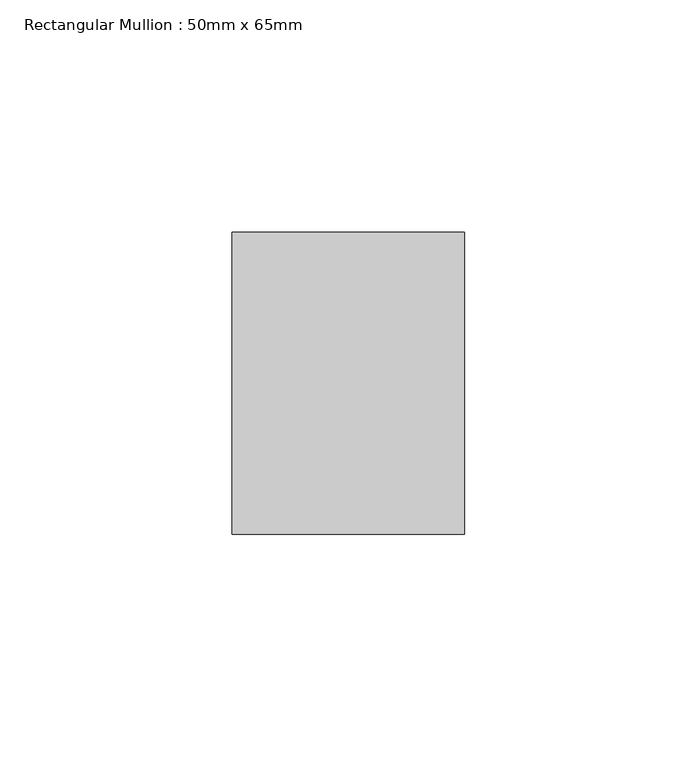
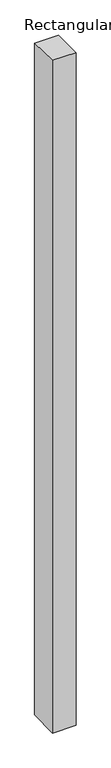
"""IFC4 building model written with IfcOpenShell, lengths in millimetres: member geometry, Rectangular Mullion : 50mm x 65mm."""

from ifc_helpers import new_model, si_unit, origin, place, context, project, spatial, faceted_brep, source, transform, mapped, element, save


def rectangular_mullion_50mm_x_65mm_2b296896(model_context):
    return source(origin(), model_context, "Body", "Brep", [
        faceted_brep([(-25.0, 32.5, -0.5683213), (25.0, 32.5, -0.568319), (25.0, 32.5, -1499.2869476), (-25.0, 32.5, -1499.2869449), (-25.0, -32.5, 0.568319), (-25.0, -32.5, -1500.7123616), (25.0, -32.5, 0.5683213), (25.0, -32.5, -1500.7123644)], [[[0, 1, 2, 3]], [[4, 0, 3, 5]], [[6, 4, 5, 7]], [[1, 6, 7, 2]], [[1, 0, 4, 6]], [[2, 7, 5, 3]]]),
    ])


if __name__ == "__main__":
    model = new_model("IFC4")
    model_context = context("Model", 3, world=origin())
    ifc_project = project(units=[si_unit("LENGTHUNIT", "METRE", prefix="MILLI")], contexts=[model_context])
    site = spatial("IfcSite", under=ifc_project)
    building = spatial("IfcBuilding", under=site)
    placement = place(None, origin())
    rectangular_mullion_50mm_x_65mm_shape = rectangular_mullion_50mm_x_65mm_2b296896(model_context)
    element("IfcMember", 1, ObjectType="Rectangular Mullion : 50mm x 65mm", at=placement, inside=building, context=model_context, shape_type="MappedRepresentation", body=[
        mapped(rectangular_mullion_50mm_x_65mm_shape, transform((0.0, 0.0, 0.0), x_axis=(1.0, 0.0, 0.0), y_axis=(0.0, 1.0, 0.0), z_axis=(0.0, 0.0, 1.0))),
    ])
    save(model, "model.ifc")
